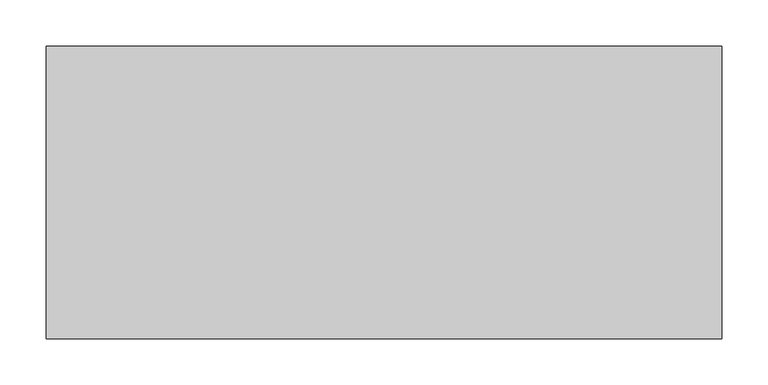
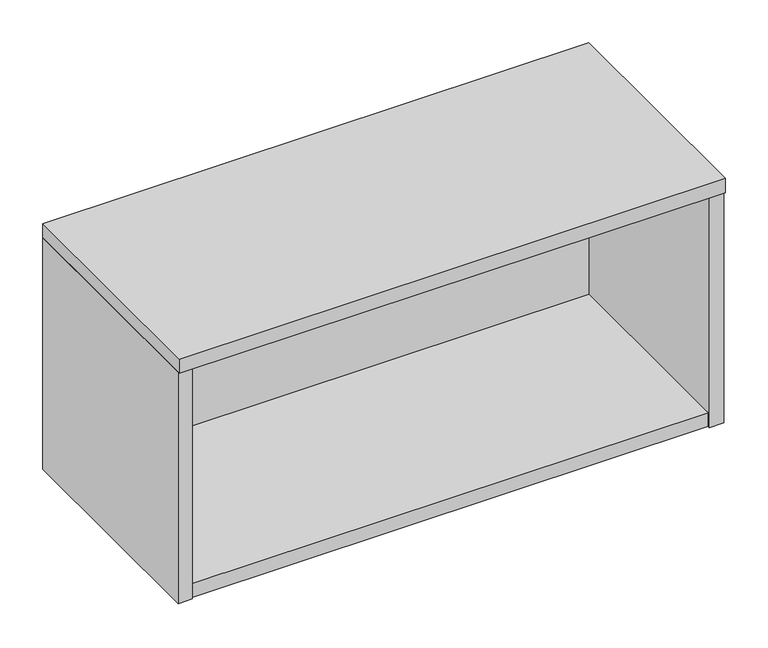
"""IFC4 building model written with IfcOpenShell, lengths in millimetres: furniture geometry."""

from ifc_helpers import new_model, si_unit, frame, origin, place, context, project, spatial, polyline, outline, extrude, source, transform, mapped, element, save


def furniture_369157f2(model_context):
    return source(origin(), model_context, "Body", "SweptSolid", [
        extrude(outline(polyline([(20.8280006, -34.1629992), (20.8280006, -14.8589995), (715.7720184, -14.8589995), (715.7720184, -34.1629992), (20.8280006, -34.1629992)])), frame((0.0, 0.0, 816.8639998), z_axis=(0.0, 0.0, 1.0), x_axis=(1.0, 0.0, 0.0)), (0.0, 0.0, 1.0), 309.8292049),
        extrude(outline(polyline([(20.8280006, -311.4039937), (20.8280006, 0.0), (715.7720184, 0.0), (715.7720184, -311.4039937), (20.8280006, -311.4039937)])), frame((0.0, 0.0, 797.56), z_axis=(0.0, 0.0, 1.0), x_axis=(1.0, 0.0, 0.0)), (0.0, 0.0, 1.0), 19.3039998),
        extrude(outline(polyline([(20.8280006, -314.4519908), (1.524, -314.4519908), (1.524, 0.0), (20.8280006, 0.0), (20.8280006, -314.4519908)])), frame((0.0, 0.0, 797.56), z_axis=(0.0, 0.0, 1.0), x_axis=(1.0, 0.0, 0.0)), (0.0, 0.0, 1.0), 329.1332047),
        extrude(outline(polyline([(735.076, -314.4519908), (715.7720184, -314.4519908), (715.7720184, 0.0), (735.076, 0.0), (735.076, -314.4519908)])), frame((0.0, 0.0, 797.56), z_axis=(0.0, 0.0, 1.0), x_axis=(1.0, 0.0, 0.0)), (0.0, 0.0, 1.0), 329.1332047),
        extrude(outline(polyline([(1.524, 0.0), (735.076, 0.0), (735.076, -317.5), (1.524, -317.5), (1.524, 0.0)])), frame((0.0, 0.0, 1126.6932047), z_axis=(0.0, 0.0, 1.0), x_axis=(1.0, 0.0, 0.0)), (0.0, 0.0, 1.0), 20.1167953),
    ])


if __name__ == "__main__":
    model = new_model("IFC4")
    model_context = context("Model", 3, world=origin())
    ifc_project = project(units=[si_unit("LENGTHUNIT", "METRE", prefix="MILLI")], contexts=[model_context])
    site = spatial("IfcSite", under=ifc_project)
    building = spatial("IfcBuilding", under=site)
    placement = place(None, origin())
    furniture_shape = furniture_369157f2(model_context)
    element("IfcFurniture", 1, at=placement, inside=building, context=model_context, shape_type="MappedRepresentation", body=[
        mapped(furniture_shape, transform((0.0, 0.0, 0.0), x_axis=(1.0, 0.0, 0.0), y_axis=(0.0, 1.0, 0.0), z_axis=(0.0, 0.0, 1.0))),
    ])
    save(model, "model.ifc")
